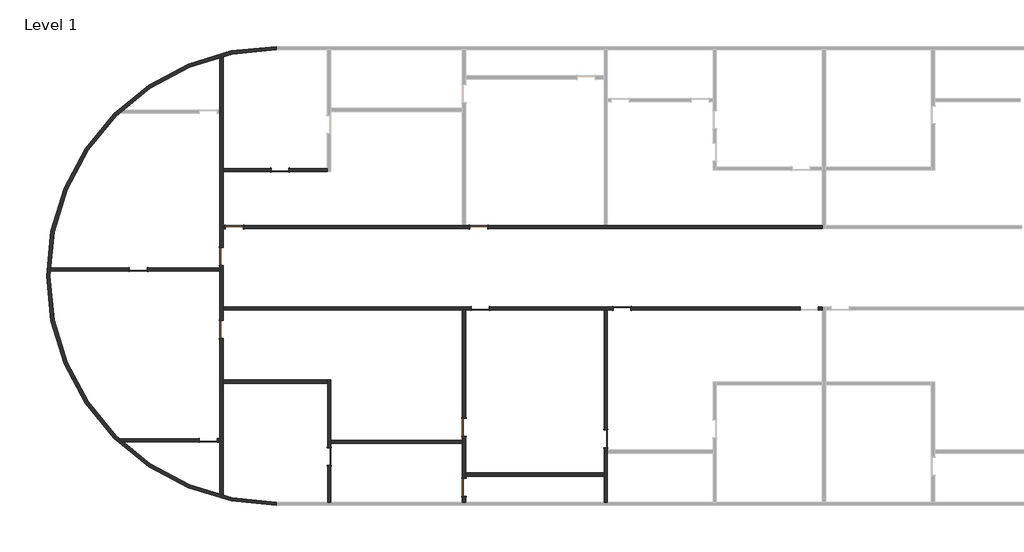
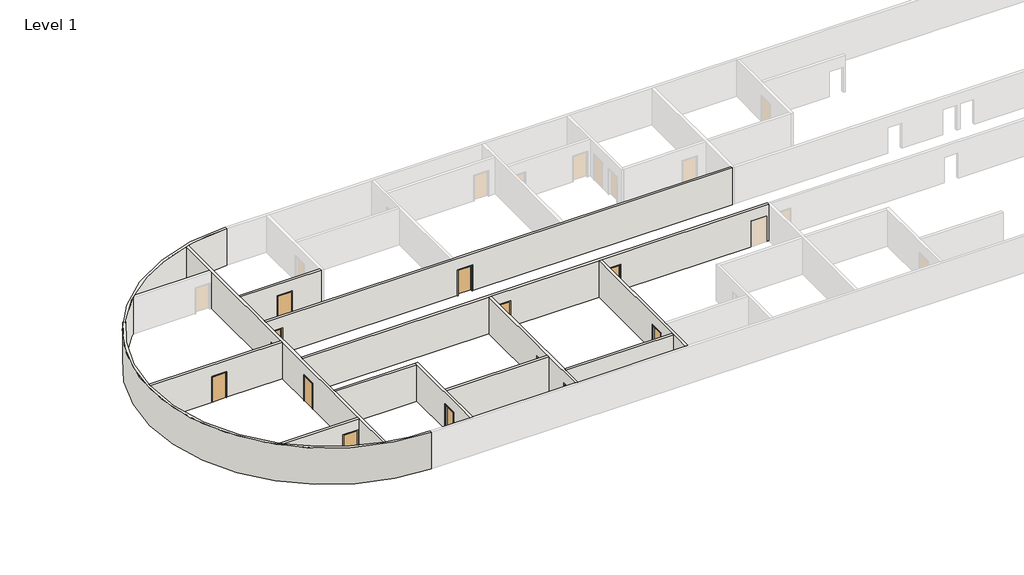
# One storey, part 1 of 3: 13 doors, 13 walls.
"""IFC4 building model written with IfcOpenShell, lengths in millimetres."""

import ifcopenshell
import ifcopenshell.guid

model = None  # the IFC model being written
_history = None  # IfcOwnerHistory: only IFC2X3 demands one
_inside = {}  # id of a spatial element -> (the spatial element, [elements in it])
_under = {}  # id of a project, library or spatial element -> (it, [spatial elements below it])
_declared = {}  # id of a project -> (the project, [libraries it declares])
_typed = {}  # id of a type object -> (the type object, [elements of that type])
_made_of = {}  # id of a material, layer set ... -> (it, [elements and type objects made of it])


def new_model(schema):
    """Start an empty IFC model of exactly this schema.

    Asked for "IFC4X3", IfcOpenShell would pick the latest addendum, in which some entities
    have other attributes; the version numbers below select the first issue.
    IFC2X3 requires an IfcOwnerHistory on every rooted entity: one is made here for all.
    """
    global model, _history
    if schema == "IFC4X3":
        model = ifcopenshell.file(schema_version=(4, 3, 0, 0))
    else:
        model = ifcopenshell.file(schema=schema)
    _inside.clear()
    _under.clear()
    _declared.clear()
    _typed.clear()
    _made_of.clear()
    _history = None
    if model.schema == "IFC2X3":
        org = make("IfcOrganization", Name="unknown")
        user = make(
            "IfcPersonAndOrganization",
            ThePerson=make("IfcPerson", FamilyName="unknown"),
            TheOrganization=org,
        )
        app = make(
            "IfcApplication",
            ApplicationDeveloper=org,
            Version="unknown",
            ApplicationFullName="unknown",
            ApplicationIdentifier="unknown",
        )
        _history = make(
            "IfcOwnerHistory",
            OwningUser=user,
            OwningApplication=app,
            ChangeAction="ADDED",
            CreationDate=0,
        )
    return model


def make(cls, **values):
    """One entity of the class cls with the attributes given. An attribute that is None is left unset."""
    return model.create_entity(
        cls, **{name: value for name, value in values.items() if value is not None}
    )


def rooted(cls, **values):
    """An entity with a GlobalId (a new one), such as an element, a storey or a relation."""
    return make(cls, GlobalId=ifcopenshell.guid.new(), OwnerHistory=_history, **values)


def si_unit(unit_type, name, prefix=None):
    """IfcSIUnit, for example si_unit("LENGTHUNIT", "METRE", prefix="MILLI")."""
    return make("IfcSIUnit", UnitType=unit_type, Prefix=prefix, Name=name)


def assignment(units):
    """IfcUnitAssignment: the units of a project."""
    return None if units is None else make("IfcUnitAssignment", Units=units)


def point(xyz):
    """IfcCartesianPoint."""
    return None if xyz is None else make("IfcCartesianPoint", Coordinates=xyz)


def direction(xyz):
    """IfcDirection."""
    return None if xyz is None else make("IfcDirection", DirectionRatios=xyz)


def frame(location, z_axis=None, x_axis=None):
    """IfcAxis2Placement3D, a coordinate frame: its origin and axes. An axis left out is left unset."""
    return make(
        "IfcAxis2Placement3D",
        Location=point(location),
        Axis=direction(z_axis),
        RefDirection=direction(x_axis),
    )


def origin():
    """The frame at (0, 0, 0) with its axes left unset."""
    return frame((0.0, 0.0, 0.0))


def origin_with_axes():
    """The frame at (0, 0, 0) with the z axis (0, 0, 1) and the x axis (1, 0, 0) written out."""
    return frame((0.0, 0.0, 0.0), z_axis=(0.0, 0.0, 1.0), x_axis=(1.0, 0.0, 0.0))


def place(relative_to, where):
    """IfcLocalPlacement: puts the frame where relative to a parent placement (None: the world)."""
    return make(
        "IfcLocalPlacement", PlacementRelTo=relative_to, RelativePlacement=where
    )


def context(
    kind, dimensions, precision=None, world=None, true_north=None, identifier=None
):
    """IfcGeometricRepresentationContext, for example the 3D "Model" context."""
    return make(
        "IfcGeometricRepresentationContext",
        ContextIdentifier=identifier,
        ContextType=kind,
        CoordinateSpaceDimension=dimensions,
        Precision=precision,
        WorldCoordinateSystem=world,
        TrueNorth=true_north,
    )


def project(units=None, contexts=None):
    """IfcProject with its units and contexts."""
    return rooted(
        "IfcProject",
        Name="project",
        RepresentationContexts=contexts,
        UnitsInContext=assignment(units),
    )


def spatial(cls, under=None, at=None, **own):
    """A site, building, storey or space (cls), placed at a placement, below another one or the project."""
    s = rooted(cls, ObjectPlacement=at, **own)
    if under is not None:
        _under.setdefault(under.id(), (under, []))[1].append(s)
    return s


def polyline(points):
    """IfcPolyline through the points."""
    return make("IfcPolyline", Points=[point(p) for p in points])


def circle_curve(where, radius):
    """IfcCircle in the frame where."""
    return make("IfcCircle", Position=where, Radius=radius)


def outline(outer, holes=None, kind="AREA"):
    """IfcArbitraryClosedProfileDef: a profile drawn as a closed curve; with holes, ...WithVoids."""
    if holes is None:
        return make("IfcArbitraryClosedProfileDef", ProfileType=kind, OuterCurve=outer)
    return make(
        "IfcArbitraryProfileDefWithVoids",
        ProfileType=kind,
        OuterCurve=outer,
        InnerCurves=holes,
    )


def extrude(swept, where, along, depth):
    """IfcExtrudedAreaSolid: the profile swept, set in the frame where, extruded along a direction by depth."""
    return make(
        "IfcExtrudedAreaSolid",
        SweptArea=swept,
        Position=where,
        ExtrudedDirection=direction(along),
        Depth=depth,
    )


def faces_of(points, faces, orient=None, outer=None):
    """IfcFace entities. A face is a list of loops; a loop is a list of indices into points, from 0.

    orient and outer hold one flag for each loop. By default every Orientation is true, the
    first loop of a face is its IfcFaceOuterBound and the others are IfcFaceBound.
    """
    made = []
    for i, loops in enumerate(faces):
        bounds = []
        for j, loop in enumerate(loops):
            is_outer = j == 0 if outer is None else outer[i][j]
            bounds.append(
                make(
                    "IfcFaceOuterBound" if is_outer else "IfcFaceBound",
                    Bound=make("IfcPolyLoop", Polygon=[points[k] for k in loop]),
                    Orientation=True if orient is None else orient[i][j],
                )
            )
        made.append(make("IfcFace", Bounds=bounds))
    return made


def faceted_brep(points, faces, orient=None, outer=None, voids=None):
    """IfcFacetedBrep: a solid bounded by flat faces; with voids (closed shells), ...WithVoids."""
    shared = [point(p) for p in points]
    hull = make("IfcClosedShell", CfsFaces=faces_of(shared, faces, orient, outer))
    if voids is None:
        return make("IfcFacetedBrep", Outer=hull)
    return make(
        "IfcFacetedBrepWithVoids",
        Outer=hull,
        Voids=[
            make(cls, CfsFaces=faces_of(shared, fs, o, b)) for cls, fs, o, b in voids
        ],
    )


def shape(context_of_items, identifier, shape_type, items):
    """IfcShapeRepresentation: the items that make up one representation, for example the "Body"."""
    return make(
        "IfcShapeRepresentation",
        ContextOfItems=context_of_items,
        RepresentationIdentifier=identifier,
        RepresentationType=shape_type,
        Items=items,
    )


def source(mapping_origin, context_of_items, identifier, shape_type, items):
    """IfcRepresentationMap: a shape defined once, which mapped items show again and again."""
    return make(
        "IfcRepresentationMap",
        MappingOrigin=mapping_origin,
        MappedRepresentation=shape(context_of_items, identifier, shape_type, items),
    )


def transform(
    local_origin,
    x_axis=None,
    y_axis=None,
    z_axis=None,
    scale=None,
    scale2=None,
    scale3=None,
    uniform=True,
):
    """IfcCartesianTransformationOperator3D, or its non-uniform kind. x_axis, y_axis, z_axis: its Axis1, 2, 3."""
    if uniform:
        return make(
            "IfcCartesianTransformationOperator3D",
            Axis1=direction(x_axis),
            Axis2=direction(y_axis),
            LocalOrigin=point(local_origin),
            Scale=scale,
            Axis3=direction(z_axis),
        )
    return make(
        "IfcCartesianTransformationOperator3DnonUniform",
        Axis1=direction(x_axis),
        Axis2=direction(y_axis),
        LocalOrigin=point(local_origin),
        Scale=scale,
        Axis3=direction(z_axis),
        Scale2=scale2,
        Scale3=scale3,
    )


def mapped(mapping_source, mapping_target):
    """IfcMappedItem: shows the shape of a source again, moved by a transform."""
    return make(
        "IfcMappedItem", MappingSource=mapping_source, MappingTarget=mapping_target
    )


def made_of(thing, what):
    """Note that an element or type object is made of a material, layer set ...; save() writes the relation."""
    if what is not None:
        _made_of.setdefault(what.id(), (what, []))[1].append(thing)
    return thing


def element(
    cls,
    number,
    at=None,
    inside=None,
    cuts=None,
    type_object=None,
    material=None,
    context=None,
    identifier="Body",
    shape_type=None,
    held_by="IfcProductDefinitionShape",
    body=None,
    shapes=None,
    **own,
):
    """One element of the class cls, such as IfcWall. Its Tag is "e" and its number.

    at: its placement. inside: the storey or other place that contains it. cuts: it is an
    opening in that element (IfcRelVoidsElement). A single representation is given by context,
    identifier, shape_type and body (its items); several are given by shapes. held_by: the class
    of the entity that holds the representations. save() writes the other relations.
    """
    e = rooted(cls, Tag="e%d" % number, ObjectPlacement=at, **own)
    if body is not None:
        shapes = [shape(context, identifier, shape_type, body)]
    if shapes is not None:
        e.Representation = make(held_by, Representations=shapes)
    if inside is not None:
        _inside.setdefault(inside.id(), (inside, []))[1].append(e)
    if cuts is not None:
        rooted(
            "IfcRelVoidsElement", RelatingBuildingElement=cuts, RelatedOpeningElement=e
        )
    if type_object is not None:
        _typed.setdefault(type_object.id(), (type_object, []))[1].append(e)
    return made_of(e, material)


def aggregate(whole, parts):
    """IfcRelAggregates: a whole, such as a stair, and the parts it consists of."""
    return rooted("IfcRelAggregates", RelatingObject=whole, RelatedObjects=parts)


def save(model, path):
    """Write the relations noted so far, then the file.

    IfcRelAggregates (storeys below a building ...), IfcRelContainedInSpatialStructure (elements
    in a storey), IfcRelDefinesByType, IfcRelAssociatesMaterial and IfcRelDeclares: one each for
    every whole, place, type object, material and project.
    """
    for whole, parts in _under.values():
        aggregate(whole, parts)
    for where, things in _inside.values():
        rooted(
            "IfcRelContainedInSpatialStructure",
            RelatedElements=things,
            RelatingStructure=where,
        )
    for kind, things in _typed.values():
        rooted("IfcRelDefinesByType", RelatedObjects=things, RelatingType=kind)
    for what, things in _made_of.values():
        rooted("IfcRelAssociatesMaterial", RelatedObjects=things, RelatingMaterial=what)
    for by, libraries in _declared.values():
        rooted("IfcRelDeclares", RelatingContext=by, RelatedDefinitions=libraries)
    model.write(path)


def plane_surface(at):
    """IfcPlane: the flat surface through the origin of the frame at, square to its z axis."""
    return make("IfcPlane", Position=at)


def cylinder_surface(at, radius):
    """IfcCylindricalSurface: all points at the distance radius from the z axis of the frame at."""
    return make("IfcCylindricalSurface", Position=at, Radius=radius)


def revolved_surface(curve, axis_point, axis_direction):
    """IfcSurfaceOfRevolution: the curve turned about the line through axis_point along axis_direction."""
    return make(
        "IfcSurfaceOfRevolution",
        SweptCurve=make("IfcArbitraryOpenProfileDef", ProfileType="CURVE", Curve=curve),
        AxisPosition=make("IfcAxis1Placement", Location=point(axis_point), Axis=direction(axis_direction)),
    )


def advanced_brep(points, edges, surfaces, faces):
    """IfcAdvancedBrep: a solid bounded by faces that lie on surfaces and meet in shared edges.

    An edge is (start, end): straight between two places in points (the first is 0);
    or (start, end, curve); or (start, end, curve, False) where it runs against its curve.
    A face is (place in surfaces, loops), or (place, loops, False) where it looks against
    its surface's normal. A loop lists edges by number (the first is 1), with a minus sign
    where the edge is run from its end to its start. The first loop is the outer one.
    """
    corners = [point(p) for p in points]
    vertices = [make("IfcVertexPoint", VertexGeometry=c) for c in corners]
    made = []
    for start, end, *more in edges:
        made.append(
            make(
                "IfcEdgeCurve",
                EdgeStart=vertices[start],
                EdgeEnd=vertices[end],
                EdgeGeometry=more[0] if more else make("IfcPolyline", Points=[corners[start], corners[end]]),
                SameSense=more[1] if len(more) > 1 else True,
            )
        )
    hull = []
    for where, loops, *sense in faces:
        bounds = []
        for j, loop in enumerate(loops):
            ring = [make("IfcOrientedEdge", EdgeElement=made[abs(k) - 1], Orientation=k > 0) for k in loop]
            bounds.append(
                make(
                    "IfcFaceOuterBound" if j == 0 else "IfcFaceBound",
                    Bound=make("IfcEdgeLoop", EdgeList=ring),
                    Orientation=True,
                )
            )
        hull.append(make("IfcAdvancedFace", Bounds=bounds, FaceSurface=surfaces[where], SameSense=sense[0] if sense else True))
    return make("IfcAdvancedBrep", Outer=make("IfcClosedShell", CfsFaces=hull))


def door_1100x2100_mm_18792538(model_context):
    return source(origin(), model_context, "Body", "SweptSolid", [
        extrude(outline(polyline([(2150.0, -600.0), (0.0, -600.0), (0.0, -550.0), (2100.0, -550.0), (2100.0, 550.0), (0.0, 550.0), (0.0, 600.0), (2150.0, 600.0), (2150.0, -600.0)])), frame((0.0, 101.6, 0.0), z_axis=(0.0, 1.0, 0.0), x_axis=(0.0, 0.0, 1.0)), (0.0, 0.0, 1.0), 25.0),
        extrude(outline(polyline([(2150.0, 600.0), (2150.0, -600.0), (0.0, -600.0), (0.0, -550.0), (2100.0, -550.0), (2100.0, 550.0), (0.0, 550.0), (0.0, 600.0), (2150.0, 600.0)])), frame((0.0, -126.6, 0.0), z_axis=(0.0, 1.0, 0.0), x_axis=(0.0, 0.0, 1.0)), (0.0, 0.0, 1.0), 25.0),
        extrude(outline(polyline([(550.0, 50.6), (-550.0, 50.6), (-550.0, 101.6), (550.0, 101.6), (550.0, 50.6)])), origin_with_axes(), (0.0, 0.0, 1.0), 2100.0),
    ])


def door_1100x2100_mm_00e273c1(model_context):
    return source(origin(), model_context, "Body", "SweptSolid", [
        extrude(outline(polyline([(2150.0, -600.0), (0.0, -600.0), (0.0, -550.0), (2100.0, -550.0), (2100.0, 550.0), (0.0, 550.0), (0.0, 600.0), (2150.0, 600.0), (2150.0, -600.0)])), frame((0.0, -126.6, 0.0), z_axis=(0.0, 1.0, 0.0), x_axis=(0.0, 0.0, 1.0)), (0.0, 0.0, 1.0), 25.0),
        extrude(outline(polyline([(2150.0, 600.0), (2150.0, -600.0), (0.0, -600.0), (0.0, -550.0), (2100.0, -550.0), (2100.0, 550.0), (0.0, 550.0), (0.0, 600.0), (2150.0, 600.0)])), frame((0.0, 101.6, 0.0), z_axis=(0.0, 1.0, 0.0), x_axis=(0.0, 0.0, 1.0)), (0.0, 0.0, 1.0), 25.0),
        extrude(outline(polyline([(550.0, -50.6), (550.0, -101.6), (-550.0, -101.6), (-550.0, -50.6), (550.0, -50.6)])), origin_with_axes(), (0.0, 0.0, 1.0), 2100.0),
    ])


model = new_model("IFC4")

# Units and contexts
model_context = context("Model", 3, world=origin())
ifc_project = project(units=[si_unit("LENGTHUNIT", "METRE", prefix="MILLI")], contexts=[model_context])

# Site, building, storey
site = spatial("IfcSite", under=ifc_project)
building = spatial("IfcBuilding", under=site)
storey = spatial("IfcBuildingStorey", under=building, Name="Level 1", Elevation=0.0)

# Doors
placement = place(None, origin())
door_1100x2100_mm_shape = door_1100x2100_mm_18792538(model_context)
element("IfcDoor", 1, ObjectType="1100X2100 mm", at=placement, inside=storey, context=model_context, shape_type="MappedRepresentation", body=[
    mapped(door_1100x2100_mm_shape, transform((-11931.9951923, -20482.971418, 0.0), x_axis=(0.0, 1.0, 0.0), y_axis=(-1.0, 0.0, 0.0), z_axis=(0.0, 0.0, 1.0))),
])
element("IfcDoor", 2, ObjectType="1100X2100 mm", at=placement, inside=storey, context=model_context, shape_type="MappedRepresentation", body=[
    mapped(door_1100x2100_mm_shape, transform((-20211.9951923, -18582.971418, 0.0), x_axis=(0.0, -1.0, 0.0), y_axis=(1.0, 0.0, 0.0), z_axis=(0.0, 0.0, 1.0))),
])
element("IfcDoor", 3, ObjectType="1100X2100 mm", at=placement, inside=storey, context=model_context, shape_type="MappedRepresentation", body=[
    mapped(door_1100x2100_mm_shape, transform((-10931.9951923, -9482.971418, 0.0), x_axis=(-1.0, 0.0, 0.0), y_axis=(0.0, -1.0, 0.0), z_axis=(0.0, 0.0, 1.0))),
])
element("IfcDoor", 4, ObjectType="1100X2100 mm", at=placement, inside=storey, context=model_context, shape_type="MappedRepresentation", body=[
    mapped(door_1100x2100_mm_shape, transform((-2231.9951923, -9482.971418, 0.0), x_axis=(1.0, 0.0, 0.0), y_axis=(0.0, 1.0, 0.0), z_axis=(0.0, 0.0, 1.0))),
])
element("IfcDoor", 5, ObjectType="1100X2100 mm", at=placement, inside=storey, context=model_context, shape_type="MappedRepresentation", body=[
    mapped(door_1100x2100_mm_shape, transform((-3231.9951923, -17482.971418, 0.0), x_axis=(0.0, -1.0, 0.0), y_axis=(1.0, 0.0, 0.0), z_axis=(0.0, 0.0, 1.0))),
])
element("IfcDoor", 6, ObjectType="1100X2100 mm", at=placement, inside=storey, context=model_context, shape_type="MappedRepresentation", body=[
    mapped(door_1100x2100_mm_shape, transform((-23231.9951923, -982.971418, 0.0), x_axis=(-1.0, 0.0, 0.0), y_axis=(0.0, -1.0, 0.0), z_axis=(0.0, 0.0, 1.0))),
])
element("IfcDoor", 7, ObjectType="1100X2100 mm", at=placement, inside=storey, context=model_context, shape_type="MappedRepresentation", body=[
    mapped(door_1100x2100_mm_shape, transform((-26831.9951923, -10782.971418, 0.0), x_axis=(0.0, 1.0, 0.0), y_axis=(-1.0, 0.0, 0.0), z_axis=(0.0, 0.0, 1.0))),
])
element("IfcDoor", 8, ObjectType="1100X2100 mm", at=placement, inside=storey, context=model_context, shape_type="MappedRepresentation", body=[
    mapped(door_1100x2100_mm_shape, transform((-31931.9951923, -7082.971418, 0.0), x_axis=(-1.0, 0.0, 0.0), y_axis=(0.0, -1.0, 0.0), z_axis=(0.0, 0.0, 1.0))),
])
door_1100x2100_mm_2_shape = door_1100x2100_mm_00e273c1(model_context)
element("IfcDoor", 9, ObjectType="1100X2100 mm", at=placement, inside=storey, context=model_context, shape_type="MappedRepresentation", body=[
    mapped(door_1100x2100_mm_2_shape, transform((-11031.9951923, -4482.971418, 0.0), x_axis=(-1.0, 0.0, 0.0), y_axis=(0.0, -1.0, 0.0), z_axis=(0.0, 0.0, 1.0))),
])
element("IfcDoor", 10, ObjectType="1100X2100 mm", at=placement, inside=storey, context=model_context, shape_type="MappedRepresentation", body=[
    mapped(door_1100x2100_mm_2_shape, transform((-26031.9951923, -4482.971418, 0.0), x_axis=(-1.0, 0.0, 0.0), y_axis=(0.0, -1.0, 0.0), z_axis=(0.0, 0.0, 1.0))),
])
element("IfcDoor", 11, ObjectType="1100X2100 mm", at=placement, inside=storey, context=model_context, shape_type="MappedRepresentation", body=[
    mapped(door_1100x2100_mm_2_shape, transform((-26831.9951923, -6282.971418, 0.0), x_axis=(0.0, -1.0, 0.0), y_axis=(1.0, 0.0, 0.0), z_axis=(0.0, 0.0, 1.0))),
])
element("IfcDoor", 12, ObjectType="1100X2100 mm", at=placement, inside=storey, context=model_context, shape_type="MappedRepresentation", body=[
    mapped(door_1100x2100_mm_2_shape, transform((-27631.9951923, -17582.971418, 0.0), x_axis=(1.0, 0.0, 0.0), y_axis=(0.0, 1.0, 0.0), z_axis=(0.0, 0.0, 1.0))),
])
element("IfcDoor", 13, ObjectType="1100X2100 mm", at=placement, inside=storey, context=model_context, shape_type="MappedRepresentation", body=[
    mapped(door_1100x2100_mm_2_shape, transform((-11931.9951923, -16782.971418, 0.0), x_axis=(0.0, -1.0, 0.0), y_axis=(1.0, 0.0, 0.0), z_axis=(0.0, 0.0, 1.0))),
])

# Walls
element("IfcWall", 14, ObjectType="Generic - 8\"", at=placement, inside=storey, context=model_context, shape_type="AdvancedBrep", body=[
    advanced_brep(
    [(-23466.5411049, -21381.371418, 3048.0), (-26730.4010081, -20992.6990128, 3048.0), (-26933.592436, -20941.9859093, 3048.0), (-32905.4465768, -17684.5683286, 3048.0), (-33120.424737, -17481.3736912, 3048.0), (-37361.7371141, -7184.5663234, 3048.0), (-37355.8867803, -6981.3777822, 3048.0), (-33120.4241714, 2515.4314252, 3048.0), (-32905.4458034, 2718.6261935, 3048.0), (-26933.5908321, 5976.0435002, 3048.0), (-26730.4007521, 6026.756216, 3048.0), (-23466.5411049, 6415.428582, 3048.0), (-23466.5411049, 6618.628582, 3048.0), (-23466.5411049, -21584.571418, 3048.0), (-23466.5411049, -21381.371418, 0.0), (-23466.5411049, -21584.571418, 0.0), (-23466.5411049, 6618.628582, 0.0), (-23466.5411049, 6415.428582, 0.0), (-26730.4007521, 6026.756216, 0.0), (-26933.5908321, 5976.0435002, 0.0), (-32905.4458034, 2718.6261935, 0.0), (-33120.4241714, 2515.4314252, 0.0), (-37355.8867803, -6981.3777822, 0.0), (-37361.7371141, -7184.5663234, 0.0), (-33120.424737, -17481.3736912, 0.0), (-32905.4465768, -17684.5683286, 0.0), (-26933.592436, -20941.9859093, 0.0), (-26730.4010081, -20992.6990128, 0.0)],
    [
        (0, 1, circle_curve(frame((-23466.5411049, -7482.971418, 3048.0), z_axis=(0.0, 0.0, -1.0), x_axis=(1.0, 0.0, 0.0)), 13898.4)),
        (1, 2, circle_curve(frame((-23466.5411049, -7482.971418, 3048.0), z_axis=(0.0, 0.0, -1.0), x_axis=(1.0, 0.0, 0.0)), 13898.3999494)),
        (2, 3, circle_curve(frame((-23466.5411049, -7482.971418, 3048.0), z_axis=(0.0, 0.0, -1.0), x_axis=(1.0, 0.0, 0.0)), 13898.3997643)),
        (3, 4, circle_curve(frame((-23466.5411049, -7482.971418, 3048.0), z_axis=(0.0, 0.0, -1.0), x_axis=(1.0, 0.0, 0.0)), 13898.3997652)),
        (4, 5, circle_curve(frame((-23466.5411049, -7482.971418, 3048.0), z_axis=(0.0, 0.0, -1.0), x_axis=(1.0, 0.0, 0.0)), 13898.3998072)),
        (5, 6, circle_curve(frame((-23466.5411049, -7482.971418, 3048.0), z_axis=(0.0, 0.0, -1.0), x_axis=(1.0, 0.0, 0.0)), 13898.3998265)),
        (6, 7, circle_curve(frame((-23466.5411049, -7482.971418, 3048.0), z_axis=(0.0, 0.0, -1.0), x_axis=(1.0, 0.0, 0.0)), 13898.3998887)),
        (7, 8, circle_curve(frame((-23466.5411049, -7482.971418, 3048.0), z_axis=(0.0, 0.0, -1.0), x_axis=(1.0, 0.0, 0.0)), 13898.3998243)),
        (8, 9, circle_curve(frame((-23466.5411049, -7482.971418, 3048.0), z_axis=(0.0, 0.0, -1.0), x_axis=(1.0, 0.0, 0.0)), 13898.3997544)),
        (9, 10, circle_curve(frame((-23466.5411049, -7482.971418, 3048.0), z_axis=(0.0, 0.0, -1.0), x_axis=(1.0, 0.0, 0.0)), 13898.3997777)),
        (10, 11, circle_curve(frame((-23466.5411049, -7482.971418, 3048.0), z_axis=(0.0, 0.0, -1.0), x_axis=(1.0, 0.0, 0.0)), 13898.3999274)),
        (11, 12),
        (12, 13, circle_curve(frame((-23466.5411049, -7482.971418, 3048.0), z_axis=(0.0, 0.0, 1.0), x_axis=(1.0, 0.0, 0.0)), 14101.6)),
        (13, 0),
        (14, 15),
        (15, 16, circle_curve(frame((-23466.5411049, -7482.971418, 0.0), z_axis=(0.0, 0.0, -1.0), x_axis=(1.0, 0.0, 0.0)), 14101.6)),
        (16, 17),
        (17, 18, circle_curve(frame((-23466.5411049, -7482.971418, 0.0), z_axis=(0.0, 0.0, 1.0), x_axis=(1.0, 0.0, 0.0)), 13898.4)),
        (18, 19, circle_curve(frame((-23466.5411049, -7482.971418, 0.0), z_axis=(0.0, 0.0, 1.0), x_axis=(1.0, 0.0, 0.0)), 13898.3999274)),
        (19, 20, circle_curve(frame((-23466.5411049, -7482.971418, 0.0), z_axis=(0.0, 0.0, 1.0), x_axis=(1.0, 0.0, 0.0)), 13898.3997777)),
        (20, 21, circle_curve(frame((-23466.5411049, -7482.971418, 0.0), z_axis=(0.0, 0.0, 1.0), x_axis=(1.0, 0.0, 0.0)), 13898.3997544)),
        (21, 22, circle_curve(frame((-23466.5411049, -7482.971418, 0.0), z_axis=(0.0, 0.0, 1.0), x_axis=(1.0, 0.0, 0.0)), 13898.3998243)),
        (22, 23, circle_curve(frame((-23466.5411049, -7482.971418, 0.0), z_axis=(0.0, 0.0, 1.0), x_axis=(1.0, 0.0, 0.0)), 13898.3998887)),
        (23, 24, circle_curve(frame((-23466.5411049, -7482.971418, 0.0), z_axis=(0.0, 0.0, 1.0), x_axis=(1.0, 0.0, 0.0)), 13898.3998265)),
        (24, 25, circle_curve(frame((-23466.5411049, -7482.971418, 0.0), z_axis=(0.0, 0.0, 1.0), x_axis=(1.0, 0.0, 0.0)), 13898.3998072)),
        (25, 26, circle_curve(frame((-23466.5411049, -7482.971418, 0.0), z_axis=(0.0, 0.0, 1.0), x_axis=(1.0, 0.0, 0.0)), 13898.3997652)),
        (26, 27, circle_curve(frame((-23466.5411049, -7482.971418, 0.0), z_axis=(0.0, 0.0, 1.0), x_axis=(1.0, 0.0, 0.0)), 13898.3997643)),
        (27, 14, circle_curve(frame((-23466.5411049, -7482.971418, 0.0), z_axis=(0.0, 0.0, 1.0), x_axis=(1.0, 0.0, 0.0)), 13898.3999494)),
        (0, 14),
        (17, 11),
        (16, 12),
        (15, 13),
    ],
    [
        plane_surface(frame((-9568.1411049, -7482.971418, 3048.0), z_axis=(0.0, 0.0, 1.0), x_axis=(0.0, -1.0, 0.0))),
        plane_surface(frame((-9568.1411049, -7482.971418, 0.0), z_axis=(0.0, 0.0, -1.0), x_axis=(0.0, 1.0, 0.0))),
        revolved_surface(polyline([(-9568.1411049, -7482.971418, 0.0), (-9568.1411049, -7482.971418, 3048.0)]), (-23466.5411049, -7482.971418, 0.0), (0.0, 0.0, -1.0)),
        plane_surface(frame((-23466.5411049, 6415.428582, 3048.0), z_axis=(1.0, 0.0, 0.0), x_axis=(0.0, 0.0, -1.0))),
        cylinder_surface(frame((-23466.5411049, -7482.971418, 0.0), z_axis=(0.0, 0.0, 1.0), x_axis=(1.0, 0.0, 0.0)), 14101.6),
        plane_surface(frame((-23466.5411049, -21584.571418, 3048.0), z_axis=(1.0, 0.0, 0.0), x_axis=(0.0, 0.0, -1.0))),
    ],
    [
        (0, [[1, 2, 3, 4, 5, 6, 7, 8, 9, 10, 11, 12, 13, 14]]),
        (1, [[15, 16, 17, 18, 19, 20, 21, 22, 23, 24, 25, 26, 27, 28]]),
        (2, [[-11, -10, -9, -8, -7, -6, -5, -4, -3, -2, -1, 29, -28, -27, -26, -25, -24, -23, -22, -21, -20, -19, -18, 30]]),
        (3, [[-12, -30, -17, 31]]),
        (4, [[-13, -31, -16, 32]]),
        (5, [[-14, -32, -15, -29]]),
    ],
),
])
element("IfcWall", 15, ObjectType="Generic - 8\"", at=placement, inside=storey, context=model_context, shape_type="Brep", body=[
    faceted_brep([(-26581.9951923, -4381.371418, 2100.0), (-26581.9951923, -4381.371418, 0.0), (-26730.3951923, -4381.371418, 0.0), (-26730.3951923, -4381.371418, 3048.0), (-12033.5951923, -4381.371418, 3048.0), (-11830.3951923, -4381.371418, 3048.0), (-3333.5951923, -4381.371418, 3048.0), (-3130.3951923, -4381.371418, 3048.0), (10066.4048077, -4381.371418, 3048.0), (10066.4048077, -4381.371418, 0.0), (-3130.3951923, -4381.371418, 0.0), (-3333.5951923, -4381.371418, 0.0), (-10481.9951923, -4381.371418, 0.0), (-10481.9951923, -4381.371418, 2100.0), (-11581.9951923, -4381.371418, 2100.0), (-11581.9951923, -4381.371418, 0.0), (-11830.3951923, -4381.371418, 0.0), (-12033.5951923, -4381.371418, 0.0), (-25481.9951923, -4381.371418, 0.0), (-25481.9951923, -4381.371418, 2100.0), (-26730.3951923, -4584.571418, 0.0), (-26581.9951923, -4584.571418, 0.0), (-26581.9951923, -4584.571418, 2100.0), (-25481.9951923, -4584.571418, 2100.0), (-25481.9951923, -4584.571418, 0.0), (-11581.9951923, -4584.571418, 0.0), (-11581.9951923, -4584.571418, 2100.0), (-10481.9951923, -4584.571418, 2100.0), (-10481.9951923, -4584.571418, 0.0), (10066.4048077, -4584.571418, 0.0), (10066.4048077, -4584.571418, 3048.0), (-26730.3951923, -4584.571418, 3048.0)], [[[0, 1, 2, 3, 4, 5, 6, 7, 8, 9, 10, 11, 12, 13, 14, 15, 16, 17, 18, 19]], [[20, 21, 22, 23, 24, 25, 26, 27, 28, 29, 30, 31]], [[12, 11, 10, 9, 29, 28]], [[2, 1, 21, 20]], [[18, 17, 16, 15, 25, 24]], [[8, 7, 6, 5, 4, 3, 31, 30]], [[3, 2, 20, 31]], [[9, 8, 30, 29]], [[26, 25, 15, 14]], [[27, 26, 14, 13]], [[28, 27, 13, 12]], [[22, 21, 1, 0]], [[23, 22, 0, 19]], [[24, 23, 19, 18]]]),
])
element("IfcWall", 16, ObjectType="Generic - 8\"", at=placement, inside=storey, context=model_context, shape_type="AdvancedBrep", body=[
    advanced_brep(
    [(-26933.5951923, -6832.971418, 0.0), (-26933.5951923, -6981.371418, 0.0), (-26933.5951923, -7184.571418, 0.0), (-26933.5951923, -10232.971418, 0.0), (-26933.5951923, -10232.971418, 2100.0), (-26933.5951923, -11332.971418, 2100.0), (-26933.5951923, -11332.971418, 0.0), (-26933.5951923, -17481.371418, 0.0), (-26933.5951923, -17684.571418, 0.0), (-26933.5951923, -20941.9854426, 0.0), (-26933.5951923, -20941.9854426, 3048.0), (-26933.5951923, -17684.571418, 3048.0), (-26933.5951923, -17481.371418, 3048.0), (-26933.5951923, -7184.571418, 3048.0), (-26933.5951923, -6981.371418, 3048.0), (-26933.5951923, 2515.428582, 3048.0), (-26933.5951923, 2718.628582, 3048.0), (-26933.5951923, 5976.0426066, 3048.0), (-26933.5951923, 5976.0426066, 0.0), (-26933.5951923, 2718.628582, 0.0), (-26933.5951923, 2515.428582, 0.0), (-26933.5951923, -5732.971418, 0.0), (-26933.5951923, -5732.971418, 2100.0), (-26933.5951923, -6832.971418, 2100.0), (-26730.3951923, -10232.971418, 2100.0), (-26730.3951923, -10232.971418, 0.0), (-26730.3951923, -9584.571418, 0.0), (-26730.3951923, -9381.371418, 0.0), (-26730.3951923, -6832.971418, 0.0), (-26730.3951923, -6832.971418, 2100.0), (-26730.3951923, -5732.971418, 2100.0), (-26730.3951923, -5732.971418, 0.0), (-26730.3951923, -4584.571418, 0.0), (-26730.3951923, -4381.371418, 0.0), (-26730.3951923, -1084.571418, 0.0), (-26730.3951923, -881.371418, 0.0), (-26730.3951923, 6026.7576339, 0.0), (-26730.3951923, 6026.7576339, 3048.0), (-26730.3951923, -881.371418, 3048.0), (-26730.3951923, -1084.571418, 3048.0), (-26730.3951923, -4381.371418, 3048.0), (-26730.3951923, -4584.571418, 3048.0), (-26730.3951923, -9381.371418, 3048.0), (-26730.3951923, -9584.571418, 3048.0), (-26730.3951923, -13881.371418, 3048.0), (-26730.3951923, -14084.571418, 3048.0), (-26730.3951923, -20992.7004699, 3048.0), (-26730.3951923, -20992.7004699, 0.0), (-26730.3951923, -14084.571418, 0.0), (-26730.3951923, -13881.371418, 0.0), (-26730.3951923, -11332.971418, 0.0), (-26730.3951923, -11332.971418, 2100.0)],
    [
        (0, 1),
        (1, 2),
        (2, 3),
        (3, 4),
        (4, 5),
        (5, 6),
        (6, 7),
        (7, 8),
        (8, 9),
        (9, 10),
        (10, 11),
        (11, 12),
        (12, 13),
        (13, 14),
        (14, 15),
        (15, 16),
        (16, 17),
        (17, 18),
        (18, 19),
        (19, 20),
        (20, 21),
        (21, 22),
        (22, 23),
        (23, 0),
        (24, 25),
        (25, 26),
        (26, 27),
        (27, 28),
        (28, 29),
        (29, 30),
        (30, 31),
        (31, 32),
        (32, 33),
        (33, 34),
        (34, 35),
        (35, 36),
        (36, 37),
        (37, 38),
        (38, 39),
        (39, 40),
        (40, 41),
        (41, 42),
        (42, 43),
        (43, 44),
        (44, 45),
        (45, 46),
        (46, 47),
        (47, 48),
        (48, 49),
        (49, 50),
        (50, 51),
        (51, 24),
        (18, 36, circle_curve(frame((-23466.5411049, -7482.971418, 0.0), z_axis=(0.0, 0.0, -1.0), x_axis=(1.0, 0.0, 0.0)), 13898.4)),
        (31, 21),
        (25, 3),
        (0, 28),
        (47, 9, circle_curve(frame((-23466.5411049, -7482.971418, 0.0), z_axis=(0.0, 0.0, -1.0), x_axis=(1.0, 0.0, 0.0)), 13898.4)),
        (6, 50),
        (10, 46, circle_curve(frame((-23466.5411049, -7482.971418, 3048.0), z_axis=(0.0, 0.0, 1.0), x_axis=(1.0, 0.0, 0.0)), 13898.4)),
        (37, 17, circle_curve(frame((-23466.5411049, -7482.971418, 3048.0), z_axis=(0.0, 0.0, 1.0), x_axis=(1.0, 0.0, 0.0)), 13898.4)),
        (23, 29),
        (22, 30),
        (24, 4),
        (51, 5),
    ],
    [
        plane_surface(frame((-26933.5951923, -4482.971418, 0.0), z_axis=(-1.0, 0.0, 0.0), x_axis=(0.0, -1.0, 0.0))),
        plane_surface(frame((-26730.3951923, -4482.971418, 0.0), z_axis=(1.0, 0.0, 0.0), x_axis=(0.0, 1.0, 0.0))),
        plane_surface(frame((-26933.5951923, 6106.4994615, 0.0), z_axis=(0.0, 0.0, -1.0), x_axis=(1.0, 0.0, 0.0))),
        plane_surface(frame((-26933.5951923, -21072.4422975, 3048.0), z_axis=(0.0, 0.0, 1.0), x_axis=(1.0, 0.0, 0.0))),
        cylinder_surface(frame((-23466.5411049, -7482.971418, 0.0), z_axis=(0.0, 0.0, -1.0), x_axis=(1.0, 0.0, 0.0)), 13898.4),
        plane_surface(frame((-26730.3951923, -6832.971418, 0.0), z_axis=(0.0, 1.0, 0.0), x_axis=(-1.0, 0.0, 0.0))),
        plane_surface(frame((-26730.3951923, -6832.971418, 2100.0), z_axis=(0.0, 0.0, -1.0), x_axis=(-1.0, 0.0, 0.0))),
        plane_surface(frame((-26730.3951923, -5732.971418, 2100.0), z_axis=(0.0, -1.0, 0.0), x_axis=(-1.0, 0.0, 0.0))),
        plane_surface(frame((-26933.5951923, -10232.971418, 0.0), z_axis=(0.0, -1.0, 0.0), x_axis=(1.0, 0.0, 0.0))),
        plane_surface(frame((-26933.5951923, -10232.971418, 2100.0), z_axis=(0.0, 0.0, -1.0), x_axis=(1.0, 0.0, 0.0))),
        plane_surface(frame((-26933.5951923, -11332.971418, 2100.0), z_axis=(0.0, 1.0, 0.0), x_axis=(1.0, 0.0, 0.0))),
    ],
    [
        (0, [[1, 2, 3, 4, 5, 6, 7, 8, 9, 10, 11, 12, 13, 14, 15, 16, 17, 18, 19, 20, 21, 22, 23, 24]]),
        (1, [[25, 26, 27, 28, 29, 30, 31, 32, 33, 34, 35, 36, 37, 38, 39, 40, 41, 42, 43, 44, 45, 46, 47, 48, 49, 50, 51, 52]]),
        (2, [[-21, -20, -19, 53, -36, -35, -34, -33, -32, 54]]),
        (2, [[-28, -27, -26, 55, -3, -2, -1, 56]]),
        (2, [[-50, -49, -48, 57, -9, -8, -7, 58]]),
        (3, [[-17, -16, -15, -14, -13, -12, -11, 59, -46, -45, -44, -43, -42, -41, -40, -39, -38, 60]]),
        (4, [[-18, -60, -37, -53]]),
        (4, [[-10, -57, -47, -59]]),
        (5, [[-29, -56, -24, 61]]),
        (6, [[-30, -61, -23, 62]]),
        (7, [[-31, -62, -22, -54]]),
        (8, [[-4, -55, -25, 63]]),
        (9, [[-5, -63, -52, 64]]),
        (10, [[-6, -64, -51, -58]]),
    ],
),
])
element("IfcWall", 17, ObjectType="Generic - 8\"", at=placement, inside=storey, context=model_context, shape_type="Brep", body=[
    faceted_brep([(9818.0048077, -9584.571418, 2100.0), (9818.0048077, -9584.571418, 0.0), (10066.4048077, -9584.571418, 0.0), (10066.4048077, -9584.571418, 3048.0), (-3130.3951923, -9584.571418, 3048.0), (-3333.5951923, -9584.571418, 3048.0), (-11830.3951923, -9584.571418, 3048.0), (-12033.5951923, -9584.571418, 3048.0), (-26730.3951923, -9584.571418, 3048.0), (-26730.3951923, -9584.571418, 0.0), (-12033.5951923, -9584.571418, 0.0), (-11830.3951923, -9584.571418, 0.0), (-11481.9951923, -9584.571418, 0.0), (-11481.9951923, -9584.571418, 2100.0), (-10381.9951923, -9584.571418, 2100.0), (-10381.9951923, -9584.571418, 0.0), (-3333.5951923, -9584.571418, 0.0), (-3130.3951923, -9584.571418, 0.0), (-2781.9951923, -9584.571418, 0.0), (-2781.9951923, -9584.571418, 2100.0), (-1681.9951923, -9584.571418, 2100.0), (-1681.9951923, -9584.571418, 0.0), (8718.0048077, -9584.571418, 0.0), (8718.0048077, -9584.571418, 2100.0), (10066.4048077, -9381.371418, 0.0), (9818.0048077, -9381.371418, 0.0), (9818.0048077, -9381.371418, 2100.0), (8718.0048077, -9381.371418, 2100.0), (8718.0048077, -9381.371418, 0.0), (-1681.9951923, -9381.371418, 0.0), (-1681.9951923, -9381.371418, 2100.0), (-2781.9951923, -9381.371418, 2100.0), (-2781.9951923, -9381.371418, 0.0), (-10381.9951923, -9381.371418, 0.0), (-10381.9951923, -9381.371418, 2100.0), (-11481.9951923, -9381.371418, 2100.0), (-11481.9951923, -9381.371418, 0.0), (-26730.3951923, -9381.371418, 0.0), (-26730.3951923, -9381.371418, 3048.0), (10066.4048077, -9381.371418, 3048.0)], [[[0, 1, 2, 3, 4, 5, 6, 7, 8, 9, 10, 11, 12, 13, 14, 15, 16, 17, 18, 19, 20, 21, 22, 23]], [[24, 25, 26, 27, 28, 29, 30, 31, 32, 33, 34, 35, 36, 37, 38, 39]], [[37, 36, 12, 11, 10, 9]], [[18, 17, 16, 15, 33, 32]], [[22, 21, 29, 28]], [[2, 1, 25, 24]], [[8, 7, 6, 5, 4, 3, 39, 38]], [[9, 8, 38, 37]], [[3, 2, 24, 39]], [[13, 12, 36, 35]], [[14, 13, 35, 34]], [[15, 14, 34, 33]], [[30, 29, 21, 20]], [[31, 30, 20, 19]], [[32, 31, 19, 18]], [[26, 25, 1, 0]], [[27, 26, 0, 23]], [[28, 27, 23, 22]]]),
])
element("IfcWall", 18, ObjectType="Generic - 8\"", at=placement, inside=storey, context=model_context, shape_type="AdvancedBrep", body=[
    advanced_brep(
    [(-32481.9951923, -6981.371418, 2100.0), (-32481.9951923, -6981.371418, 0.0), (-37355.8866618, -6981.371418, 0.0), (-37355.8866618, -6981.371418, 3048.0), (-26933.5951923, -6981.371418, 3048.0), (-26933.5951923, -6981.371418, 0.0), (-31381.9951923, -6981.371418, 0.0), (-31381.9951923, -6981.371418, 2100.0), (-37361.7373971, -7184.571418, 0.0), (-32481.9951923, -7184.571418, 0.0), (-32481.9951923, -7184.571418, 2100.0), (-31381.9951923, -7184.571418, 2100.0), (-31381.9951923, -7184.571418, 0.0), (-26933.5951923, -7184.571418, 0.0), (-26933.5951923, -7184.571418, 3048.0), (-37361.7373971, -7184.571418, 3048.0)],
    [
        (0, 1),
        (1, 2),
        (2, 3),
        (3, 4),
        (4, 5),
        (5, 6),
        (6, 7),
        (7, 0),
        (8, 9),
        (9, 10),
        (10, 11),
        (11, 12),
        (12, 13),
        (13, 14),
        (14, 15),
        (15, 8),
        (5, 13),
        (12, 6),
        (1, 9),
        (8, 2, circle_curve(frame((-23466.5411049, -7482.971418, 0.0), z_axis=(0.0, 0.0, -1.0), x_axis=(1.0, 0.0, 0.0)), 13898.4)),
        (3, 15, circle_curve(frame((-23466.5411049, -7482.971418, 3048.0), z_axis=(0.0, 0.0, 1.0), x_axis=(1.0, 0.0, 0.0)), 13898.4)),
        (14, 4),
        (0, 10),
        (7, 11),
    ],
    [
        plane_surface(frame((-26831.9951923, -6981.371418, 0.0), z_axis=(0.0, 1.0, 0.0), x_axis=(-1.0, 0.0, 0.0))),
        plane_surface(frame((-26831.9951923, -7184.571418, 0.0), z_axis=(0.0, -1.0, 0.0), x_axis=(1.0, 0.0, 0.0))),
        plane_surface(frame((-26831.9951923, -6981.371418, 0.0), z_axis=(0.0, 0.0, -1.0), x_axis=(0.0, -1.0, 0.0))),
        plane_surface(frame((-37460.8256525, -6981.371418, 3048.0), z_axis=(0.0, 0.0, 1.0), x_axis=(0.0, -1.0, 0.0))),
        plane_surface(frame((-26933.5951923, -4482.971418, 0.0), z_axis=(1.0, 0.0, 0.0), x_axis=(0.0, -1.0, 0.0))),
        cylinder_surface(frame((-23466.5411049, -7482.971418, 0.0), z_axis=(0.0, 0.0, -1.0), x_axis=(1.0, 0.0, 0.0)), 13898.4),
        plane_surface(frame((-32481.9951923, -7184.571418, 0.0), z_axis=(1.0, 0.0, 0.0), x_axis=(0.0, 1.0, 0.0))),
        plane_surface(frame((-32481.9951923, -7184.571418, 2100.0), z_axis=(0.0, 0.0, -1.0), x_axis=(0.0, 1.0, 0.0))),
        plane_surface(frame((-31381.9951923, -7184.571418, 2100.0), z_axis=(-1.0, 0.0, 0.0), x_axis=(0.0, 1.0, 0.0))),
    ],
    [
        (0, [[1, 2, 3, 4, 5, 6, 7, 8]]),
        (1, [[9, 10, 11, 12, 13, 14, 15, 16]]),
        (2, [[-6, 17, -13, 18]]),
        (2, [[-2, 19, -9, 20]]),
        (3, [[-4, 21, -15, 22]]),
        (4, [[-5, -22, -14, -17]]),
        (5, [[-3, -20, -16, -21]]),
        (6, [[-10, -19, -1, 23]]),
        (7, [[-11, -23, -8, 24]]),
        (8, [[-12, -24, -7, -18]]),
    ],
),
])
element("IfcWall", 19, ObjectType="Generic - 8\"", at=placement, inside=storey, context=model_context, shape_type="SweptSolid", body=[
    extrude(outline(polyline([(0.0, -26730.3951923), (0.0, -23781.9951923), (2100.0, -23781.9951923), (2100.0, -22681.9951923), (0.0, -22681.9951923), (0.0, -20333.5951923), (3048.0, -20333.5951923), (3048.0, -26730.3951923), (0.0, -26730.3951923)])), frame((0.0, -1084.571418, 0.0), z_axis=(0.0, 1.0, 0.0), x_axis=(0.0, 0.0, 1.0)), (0.0, 0.0, 1.0), 203.2),
])
element("IfcWall", 20, ObjectType="Generic - 8\"", at=placement, inside=storey, context=model_context, shape_type="AdvancedBrep", body=[
    advanced_brep(
    [(-26933.5951923, -17481.371418, 0.0), (-27081.9951923, -17481.371418, 0.0), (-27081.9951923, -17481.371418, 2100.0), (-28181.9951923, -17481.371418, 2100.0), (-28181.9951923, -17481.371418, 0.0), (-33120.427369, -17481.371418, 0.0), (-33120.427369, -17481.371418, 3048.0), (-26933.5951923, -17481.371418, 3048.0), (-27081.9951923, -17684.571418, 2100.0), (-27081.9951923, -17684.571418, 0.0), (-26933.5951923, -17684.571418, 0.0), (-26933.5951923, -17684.571418, 3048.0), (-32905.4435834, -17684.571418, 3048.0), (-32905.4435834, -17684.571418, 0.0), (-28181.9951923, -17684.571418, 0.0), (-28181.9951923, -17684.571418, 2100.0)],
    [
        (0, 1),
        (1, 2),
        (2, 3),
        (3, 4),
        (4, 5),
        (5, 6),
        (6, 7),
        (7, 0),
        (8, 9),
        (9, 10),
        (10, 11),
        (11, 12),
        (12, 13),
        (13, 14),
        (14, 15),
        (15, 8),
        (13, 5, circle_curve(frame((-23466.5411049, -7482.971418, 0.0), z_axis=(0.0, 0.0, -1.0), x_axis=(1.0, 0.0, 0.0)), 13898.4)),
        (4, 14),
        (9, 1),
        (0, 10),
        (6, 12, circle_curve(frame((-23466.5411049, -7482.971418, 3048.0), z_axis=(0.0, 0.0, 1.0), x_axis=(1.0, 0.0, 0.0)), 13898.4)),
        (11, 7),
        (8, 2),
        (15, 3),
    ],
    [
        plane_surface(frame((-26831.9951923, -17481.371418, 0.0), z_axis=(0.0, 1.0, 0.0), x_axis=(-1.0, 0.0, 0.0))),
        plane_surface(frame((-26831.9951923, -17684.571418, 0.0), z_axis=(0.0, -1.0, 0.0), x_axis=(1.0, 0.0, 0.0))),
        plane_surface(frame((-26831.9951923, -17481.371418, 0.0), z_axis=(0.0, 0.0, -1.0), x_axis=(0.0, -1.0, 0.0))),
        plane_surface(frame((-33161.3850954, -17481.371418, 3048.0), z_axis=(0.0, 0.0, 1.0), x_axis=(0.0, -1.0, 0.0))),
        plane_surface(frame((-26933.5951923, -4482.971418, 0.0), z_axis=(1.0, 0.0, 0.0), x_axis=(0.0, -1.0, 0.0))),
        cylinder_surface(frame((-23466.5411049, -7482.971418, 0.0), z_axis=(0.0, 0.0, -1.0), x_axis=(1.0, 0.0, 0.0)), 13898.4),
        plane_surface(frame((-27081.9951923, -17481.371418, 0.0), z_axis=(-1.0, 0.0, 0.0), x_axis=(0.0, -1.0, 0.0))),
        plane_surface(frame((-27081.9951923, -17481.371418, 2100.0), z_axis=(0.0, 0.0, -1.0), x_axis=(0.0, -1.0, 0.0))),
        plane_surface(frame((-28181.9951923, -17481.371418, 2100.0), z_axis=(1.0, 0.0, 0.0), x_axis=(0.0, -1.0, 0.0))),
    ],
    [
        (0, [[1, 2, 3, 4, 5, 6, 7, 8]]),
        (1, [[9, 10, 11, 12, 13, 14, 15, 16]]),
        (2, [[-14, 17, -5, 18]]),
        (2, [[-10, 19, -1, 20]]),
        (3, [[-7, 21, -12, 22]]),
        (4, [[-8, -22, -11, -20]]),
        (5, [[-6, -17, -13, -21]]),
        (6, [[-2, -19, -9, 23]]),
        (7, [[-3, -23, -16, 24]]),
        (8, [[-4, -24, -15, -18]]),
    ],
),
])
element("IfcWall", 21, ObjectType="Generic - 8\"", at=placement, inside=storey, context=model_context, shape_type="Brep", body=[
    faceted_brep([(-20110.3951923, -21381.371418, 0.0), (-20110.3951923, -19132.971418, 0.0), (-20110.3951923, -19132.971418, 2100.0), (-20110.3951923, -18032.971418, 2100.0), (-20110.3951923, -18032.971418, 0.0), (-20110.3951923, -17784.571418, 0.0), (-20110.3951923, -17581.371418, 0.0), (-20110.3951923, -13881.371418, 0.0), (-20110.3951923, -13881.371418, 3048.0), (-20110.3951923, -17581.371418, 3048.0), (-20110.3951923, -17784.571418, 3048.0), (-20110.3951923, -21381.371418, 3048.0), (-20313.5951923, -19132.971418, 2100.0), (-20313.5951923, -19132.971418, 0.0), (-20313.5951923, -21381.371418, 0.0), (-20313.5951923, -21381.371418, 3048.0), (-20313.5951923, -14084.571418, 3048.0), (-20313.5951923, -13881.371418, 3048.0), (-20313.5951923, -13881.371418, 0.0), (-20313.5951923, -14084.571418, 0.0), (-20313.5951923, -18032.971418, 0.0), (-20313.5951923, -18032.971418, 2100.0)], [[[0, 1, 2, 3, 4, 5, 6, 7, 8, 9, 10, 11]], [[12, 13, 14, 15, 16, 17, 18, 19, 20, 21]], [[14, 13, 1, 0]], [[20, 19, 18, 7, 6, 5, 4]], [[11, 10, 9, 8, 17, 16, 15]], [[8, 7, 18, 17]], [[0, 11, 15, 14]], [[2, 1, 13, 12]], [[3, 2, 12, 21]], [[4, 3, 21, 20]]]),
])
element("IfcWall", 22, ObjectType="Generic - 8\"", at=placement, inside=storey, context=model_context, shape_type="SweptSolid", body=[
    extrude(outline(polyline([(-26730.3951923, -13881.371418), (-20313.5951923, -13881.371418), (-20313.5951923, -14084.571418), (-26730.3951923, -14084.571418), (-26730.3951923, -13881.371418)])), origin_with_axes(), (0.0, 0.0, 1.0), 3048.0),
])
element("IfcWall", 23, ObjectType="Generic - 8\"", at=placement, inside=storey, context=model_context, shape_type="Brep", body=[
    faceted_brep([(-11830.3951923, -19932.971418, 0.0), (-11830.3951923, -19784.571418, 0.0), (-11830.3951923, -19581.371418, 0.0), (-11830.3951923, -17332.971418, 0.0), (-11830.3951923, -17332.971418, 2100.0), (-11830.3951923, -16232.971418, 2100.0), (-11830.3951923, -16232.971418, 0.0), (-11830.3951923, -9584.571418, 0.0), (-11830.3951923, -9584.571418, 3048.0), (-11830.3951923, -19581.371418, 3048.0), (-11830.3951923, -19784.571418, 3048.0), (-11830.3951923, -21381.371418, 3048.0), (-11830.3951923, -21381.371418, 0.0), (-11830.3951923, -21032.971418, 0.0), (-11830.3951923, -21032.971418, 2100.0), (-11830.3951923, -19932.971418, 2100.0), (-12033.5951923, -17332.971418, 2100.0), (-12033.5951923, -17332.971418, 0.0), (-12033.5951923, -17581.371418, 0.0), (-12033.5951923, -17784.571418, 0.0), (-12033.5951923, -19932.971418, 0.0), (-12033.5951923, -19932.971418, 2100.0), (-12033.5951923, -21032.971418, 2100.0), (-12033.5951923, -21032.971418, 0.0), (-12033.5951923, -21381.371418, 0.0), (-12033.5951923, -21381.371418, 3048.0), (-12033.5951923, -17784.571418, 3048.0), (-12033.5951923, -17581.371418, 3048.0), (-12033.5951923, -9584.571418, 3048.0), (-12033.5951923, -9584.571418, 0.0), (-12033.5951923, -16232.971418, 0.0), (-12033.5951923, -16232.971418, 2100.0)], [[[0, 1, 2, 3, 4, 5, 6, 7, 8, 9, 10, 11, 12, 13, 14, 15]], [[16, 17, 18, 19, 20, 21, 22, 23, 24, 25, 26, 27, 28, 29, 30, 31]], [[13, 12, 24, 23]], [[30, 29, 7, 6]], [[20, 19, 18, 17, 3, 2, 1, 0]], [[11, 10, 9, 8, 28, 27, 26, 25]], [[8, 7, 29, 28]], [[12, 11, 25, 24]], [[21, 20, 0, 15]], [[22, 21, 15, 14]], [[23, 22, 14, 13]], [[4, 3, 17, 16]], [[5, 4, 16, 31]], [[6, 5, 31, 30]]]),
])
element("IfcWall", 24, ObjectType="Generic - 8\"", at=placement, inside=storey, context=model_context, shape_type="SweptSolid", body=[
    extrude(outline(polyline([(-3333.5951923, -19784.571418), (-11830.3951923, -19784.571418), (-11830.3951923, -19581.371418), (-3333.5951923, -19581.371418), (-3333.5951923, -19784.571418)])), origin_with_axes(), (0.0, 0.0, 1.0), 3048.0),
])
element("IfcWall", 25, ObjectType="Generic - 8\"", at=placement, inside=storey, context=model_context, shape_type="Brep", body=[
    faceted_brep([(-3333.5951923, -18032.971418, 2100.0), (-3333.5951923, -18032.971418, 0.0), (-3333.5951923, -19581.371418, 0.0), (-3333.5951923, -19784.571418, 0.0), (-3333.5951923, -21381.371418, 0.0), (-3333.5951923, -21381.371418, 3048.0), (-3333.5951923, -19784.571418, 3048.0), (-3333.5951923, -19581.371418, 3048.0), (-3333.5951923, -9584.571418, 3048.0), (-3333.5951923, -9584.571418, 0.0), (-3333.5951923, -16932.971418, 0.0), (-3333.5951923, -16932.971418, 2100.0), (-3130.3951923, -21381.371418, 0.0), (-3130.3951923, -18384.571418, 0.0), (-3130.3951923, -18181.371418, 0.0), (-3130.3951923, -18032.971418, 0.0), (-3130.3951923, -18032.971418, 2100.0), (-3130.3951923, -16932.971418, 2100.0), (-3130.3951923, -16932.971418, 0.0), (-3130.3951923, -9584.571418, 0.0), (-3130.3951923, -9584.571418, 3048.0), (-3130.3951923, -18181.371418, 3048.0), (-3130.3951923, -18384.571418, 3048.0), (-3130.3951923, -21381.371418, 3048.0)], [[[0, 1, 2, 3, 4, 5, 6, 7, 8, 9, 10, 11]], [[12, 13, 14, 15, 16, 17, 18, 19, 20, 21, 22, 23]], [[10, 9, 19, 18]], [[4, 3, 2, 1, 15, 14, 13, 12]], [[8, 7, 6, 5, 23, 22, 21, 20]], [[9, 8, 20, 19]], [[5, 4, 12, 23]], [[16, 15, 1, 0]], [[17, 16, 0, 11]], [[18, 17, 11, 10]]]),
])
element("IfcWall", 26, ObjectType="Generic - 8\"", at=placement, inside=storey, context=model_context, shape_type="SweptSolid", body=[
    extrude(outline(polyline([(-20110.3951923, -17581.371418), (-12033.5951923, -17581.371418), (-12033.5951923, -17784.571418), (-20110.3951923, -17784.571418), (-20110.3951923, -17581.371418)])), origin_with_axes(), (0.0, 0.0, 1.0), 3048.0),
])

save(model, "model.ifc")
